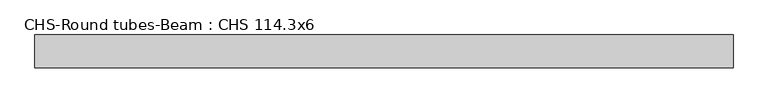
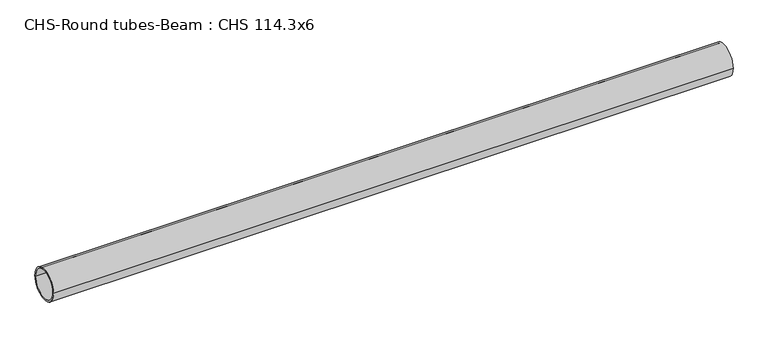
"""IFC4 building model written with IfcOpenShell, lengths in millimetres: beam geometry, CHS-Round tubes-Beam : CHS 114.3x6."""

from ifc_helpers import new_model, si_unit, point, frame, origin, origin_2d, place, context, project, spatial, circle_curve, trimmed, segment, composite_curve, outline, extrude, source, transform, mapped, element, save


def chs_round_tubes_beam_chs_114_3x6_7e29504e(model_context):
    return source(origin(), model_context, "Body", "SweptSolid", [
        extrude(outline(composite_curve([segment(trimmed(circle_curve(origin_2d(), 57.15), [point((57.15, 0.0))], [point((-57.15, 0.0))], False, "CARTESIAN"), True, "CONTINUOUS"), segment(trimmed(circle_curve(origin_2d(), 57.15), [point((-57.15, 0.0))], [point((57.15, 0.0))], False, "CARTESIAN"), True, "CONTINUOUS")], self_intersect=False), holes=[composite_curve([segment(trimmed(circle_curve(origin_2d(), 51.15), [point((51.15, 0.0))], [point((-51.15, 0.0))], True, "CARTESIAN"), True, "CONTINUOUS"), segment(trimmed(circle_curve(origin_2d(), 51.15), [point((-51.15, 0.0))], [point((51.15, 0.0))], True, "CARTESIAN"), True, "CONTINUOUS")], self_intersect=False)]), frame((-1173.8556441, 0.0, 0.0), z_axis=(1.0, 0.0, 0.0), x_axis=(0.0, 1.0, 0.0)), (0.0, 0.0, 1.0), 2426.9719725),
    ])


if __name__ == "__main__":
    model = new_model("IFC4")
    model_context = context("Model", 3, world=origin())
    ifc_project = project(units=[si_unit("LENGTHUNIT", "METRE", prefix="MILLI")], contexts=[model_context])
    site = spatial("IfcSite", under=ifc_project)
    building = spatial("IfcBuilding", under=site)
    placement = place(None, origin())
    chs_round_tubes_beam_chs_114_3x6_shape = chs_round_tubes_beam_chs_114_3x6_7e29504e(model_context)
    element("IfcBeam", 1, ObjectType="CHS-Round tubes-Beam : CHS 114.3x6", at=placement, inside=building, context=model_context, shape_type="MappedRepresentation", body=[
        mapped(chs_round_tubes_beam_chs_114_3x6_shape, transform((0.0, 0.0, 0.0), x_axis=(1.0, 0.0, 0.0), y_axis=(0.0, 1.0, 0.0), z_axis=(0.0, 0.0, 1.0))),
    ])
    save(model, "model.ifc")
